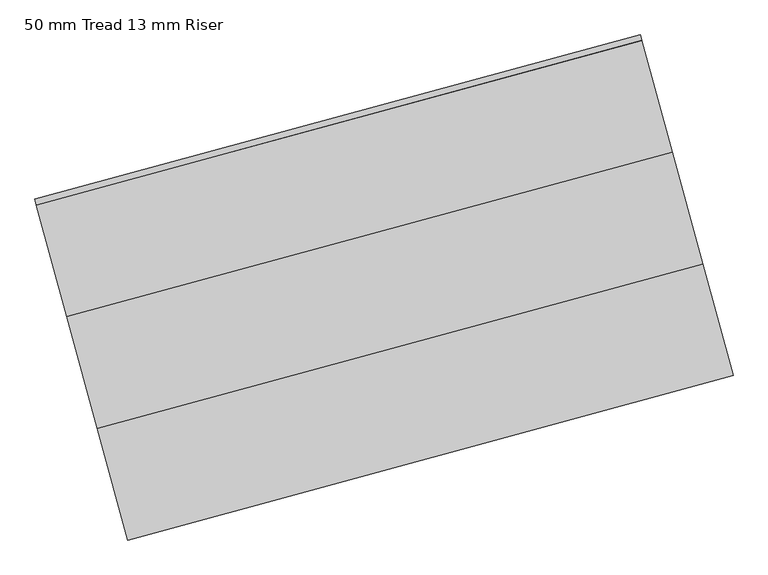
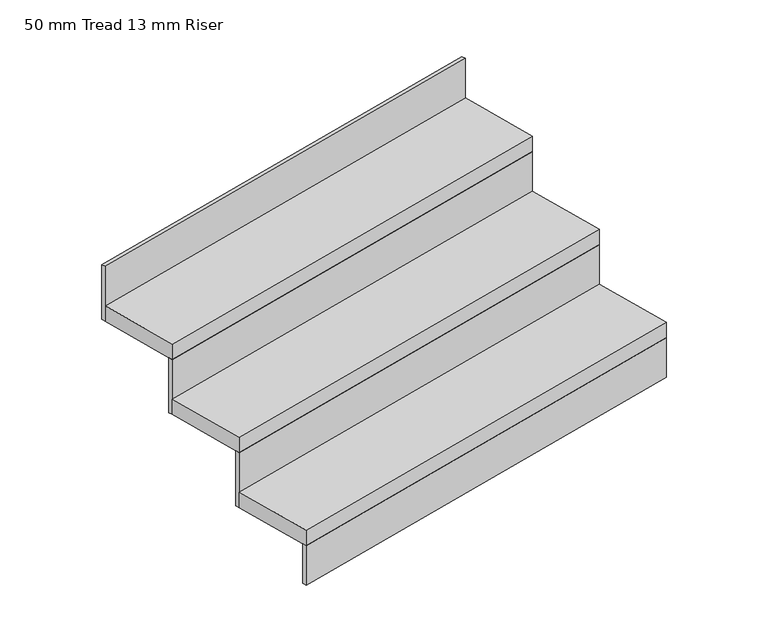
"""IFC4 building model written with IfcOpenShell, lengths in millimetres: stair flight geometry, 50 mm Tread 13 mm Riser."""

from ifc_helpers import new_model, si_unit, frame, origin, origin_with_axes, place, context, project, spatial, polyline, outline, extrude, source, transform, mapped, element, save


def stair_flight_50_mm_tread_13_mm_riser_ed3f13a9(model_context):
    return source(origin(), model_context, "Body", "SweptSolid", [
        extrude(outline(polyline([(73350.9066584, 48721.4334037), (73354.1852688, 48709.3710361), (72047.7408783, 48354.2730677), (72044.4622679, 48366.3354354), (73350.9066584, 48721.4334037)])), origin_with_axes(), (0.0, 0.0, 1.0), 127.7777778),
        extrude(outline(polyline([(71982.1686691, 48595.5204208), (73288.6130596, 48950.6183892), (73354.1852688, 48709.3710361), (72047.7408783, 48354.2730677), (71982.1686691, 48595.5204208)])), frame((0.0, 0.0, 127.7777778), z_axis=(0.0, 0.0, 1.0), x_axis=(1.0, 0.0, 0.0)), (0.0, 0.0, 1.0), 50.0),
        extrude(outline(polyline([(73285.3344491, 48962.6807568), (73288.6130596, 48950.6183892), (71982.1686691, 48595.5204208), (71978.8900586, 48607.5827885), (73285.3344491, 48962.6807568)])), frame((0.0, 0.0, 127.7777778), z_axis=(0.0, 0.0, 1.0), x_axis=(1.0, 0.0, 0.0)), (0.0, 0.0, 1.0), 177.7777778),
        extrude(outline(polyline([(71916.5964598, 48836.7677739), (73223.0408503, 49191.8657423), (73288.6130596, 48950.6183892), (71982.1686691, 48595.5204208), (71916.5964598, 48836.7677739)])), frame((0.0, 0.0, 305.5555556), z_axis=(0.0, 0.0, 1.0), x_axis=(1.0, 0.0, 0.0)), (0.0, 0.0, 1.0), 50.0),
        extrude(outline(polyline([(73219.7622398, 49203.9281099), (73223.0408503, 49191.8657423), (71916.5964598, 48836.7677739), (71913.3178494, 48848.8301416), (73219.7622398, 49203.9281099)])), frame((0.0, 0.0, 305.5555556), z_axis=(0.0, 0.0, 1.0), x_axis=(1.0, 0.0, 0.0)), (0.0, 0.0, 1.0), 177.7777778),
        extrude(outline(polyline([(73154.1900306, 49445.175463), (73157.468641, 49433.1130954), (71851.0242506, 49078.015127), (71847.7456401, 49090.0774946), (73154.1900306, 49445.175463)])), frame((0.0, 0.0, 483.3333333), z_axis=(0.0, 0.0, 1.0), x_axis=(1.0, 0.0, 0.0)), (0.0, 0.0, 1.0), 177.7777778),
        extrude(outline(polyline([(71851.0242506, 49078.015127), (73157.468641, 49433.1130954), (73223.0408503, 49191.8657423), (71916.5964598, 48836.7677739), (71851.0242506, 49078.015127)])), frame((0.0, 0.0, 483.3333333), z_axis=(0.0, 0.0, 1.0), x_axis=(1.0, 0.0, 0.0)), (0.0, 0.0, 1.0), 50.0),
    ])


if __name__ == "__main__":
    model = new_model("IFC4")
    model_context = context("Model", 3, world=origin())
    ifc_project = project(units=[si_unit("LENGTHUNIT", "METRE", prefix="MILLI")], contexts=[model_context])
    site = spatial("IfcSite", under=ifc_project)
    building = spatial("IfcBuilding", under=site)
    placement = place(None, origin())
    stair_flight_50_mm_tread_13_mm_riser_shape = stair_flight_50_mm_tread_13_mm_riser_ed3f13a9(model_context)
    element("IfcStairFlight", 1, ObjectType="50 mm Tread 13 mm Riser", at=placement, inside=building, context=model_context, shape_type="MappedRepresentation", body=[
        mapped(stair_flight_50_mm_tread_13_mm_riser_shape, transform((0.0, 0.0, 0.0), x_axis=(1.0, 0.0, 0.0), y_axis=(0.0, 1.0, 0.0), z_axis=(0.0, 0.0, 1.0))),
    ])
    save(model, "model.ifc")
